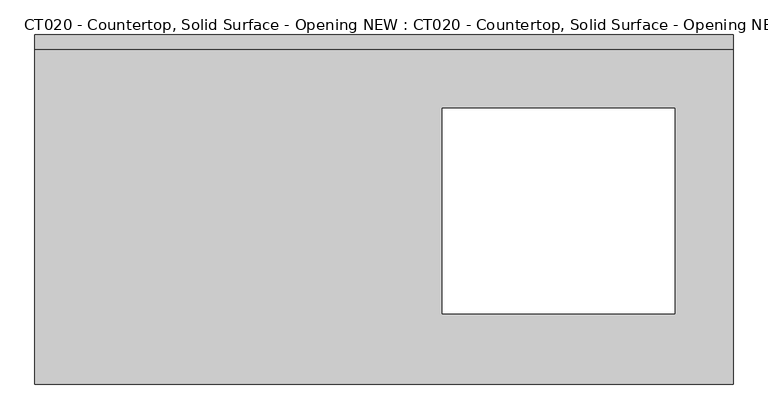
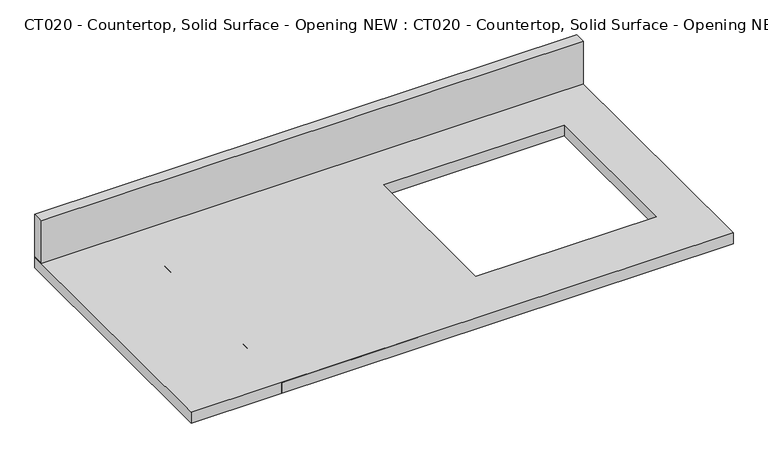
"""IFC4 building model written with IfcOpenShell, lengths in millimetres: proxy geometry, CT020 - Countertop, Solid Surface - Opening NEW : CT020 - Countertop, Solid Surface - Opening NEW."""

from ifc_helpers import new_model, si_unit, frame, origin, origin_with_axes, place, context, project, spatial, polyline, outline, extrude, source, transform, mapped, element, save


def ct020_countertop_solid_surface_opening_new_ct020_countertop_18f73f49(model_context):
    return source(origin(), model_context, "Body", "SweptSolid", [
        extrude(outline(polyline([(863.6000001, 304.8), (863.6000001, -304.8), (-355.5999999, -304.8), (-355.5999999, 304.8), (863.6000001, 304.8)]), holes=[polyline([(762.0, 177.1797913), (355.6, 177.1797913), (355.6, -181.8444334), (762.0, -181.8444334), (762.0, 177.1797913)])]), origin_with_axes(), (0.0, 0.0, 1.0), 25.4),
        extrude(outline(polyline([(-355.5999999, 279.4), (-355.5999999, 304.8), (863.6000001, 304.8), (863.6000001, 279.4), (-355.5999999, 279.4)])), frame((0.0, 0.0, 25.4), z_axis=(0.0, 0.0, 1.0), x_axis=(1.0, 0.0, 0.0)), (0.0, 0.0, 1.0), 101.6),
        extrude(outline(polyline([(-152.4, 304.8), (152.4, 304.8), (152.4, -304.8), (-152.4, -304.8), (-152.4, 0.0), (-152.4, 304.8)])), origin_with_axes(), (0.0, 0.0, 1.0), 25.4),
    ])


if __name__ == "__main__":
    model = new_model("IFC4")
    model_context = context("Model", 3, world=origin())
    ifc_project = project(units=[si_unit("LENGTHUNIT", "METRE", prefix="MILLI")], contexts=[model_context])
    site = spatial("IfcSite", under=ifc_project)
    building = spatial("IfcBuilding", under=site)
    placement = place(None, origin())
    ct020_countertop_solid_surface_opening_new_ct020_countertop_shape = ct020_countertop_solid_surface_opening_new_ct020_countertop_18f73f49(model_context)
    element("IfcBuildingElementProxy", 1, Name="CT020 - Countertop, Solid Surface - Opening NEW : CT020 - Countertop, Solid Surface - Opening NEW", ObjectType="CT020 - Countertop, Solid Surface - Opening NEW : CT020 - Countertop, Solid Surface - Opening NEW", at=placement, inside=building, context=model_context, shape_type="MappedRepresentation", body=[
        mapped(ct020_countertop_solid_surface_opening_new_ct020_countertop_shape, transform((0.0, 0.0, 0.0), x_axis=(1.0, 0.0, 0.0), y_axis=(0.0, 1.0, 0.0), z_axis=(0.0, 0.0, 1.0))),
    ])
    save(model, "model.ifc")
